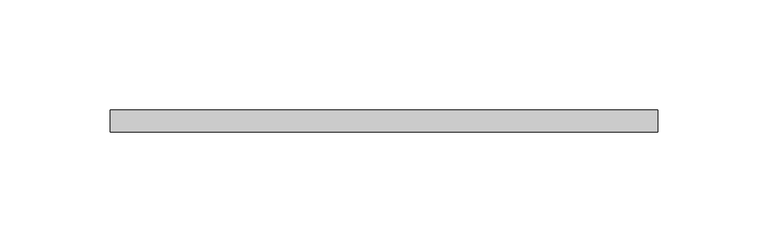
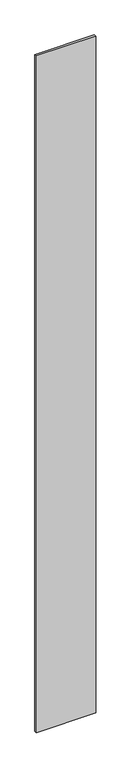
"""IFC4 building model written with IfcOpenShell, lengths in millimetres: plate geometry."""

from ifc_helpers import new_model, si_unit, origin, origin_with_axes, place, context, project, spatial, polyline, outline, extrude, source, transform, mapped, element, save


def plate_55ac28b9(model_context):
    return source(origin(), model_context, "Body", "SweptSolid", [
        extrude(outline(polyline([(124.4999998, 5.0), (124.4999998, -5.0), (-124.4999998, -5.0), (-124.4999998, 5.0), (124.4999998, 5.0)])), origin_with_axes(), (0.0, 0.0, 1.0), 2994.0),
    ])


if __name__ == "__main__":
    model = new_model("IFC4")
    model_context = context("Model", 3, world=origin())
    ifc_project = project(units=[si_unit("LENGTHUNIT", "METRE", prefix="MILLI")], contexts=[model_context])
    site = spatial("IfcSite", under=ifc_project)
    building = spatial("IfcBuilding", under=site)
    placement = place(None, origin())
    plate_shape = plate_55ac28b9(model_context)
    element("IfcPlate", 1, at=placement, inside=building, context=model_context, shape_type="MappedRepresentation", body=[
        mapped(plate_shape, transform((0.0, 0.0, 0.0), x_axis=(1.0, 0.0, 0.0), y_axis=(0.0, 1.0, 0.0), z_axis=(0.0, 0.0, 1.0))),
    ])
    save(model, "model.ifc")
